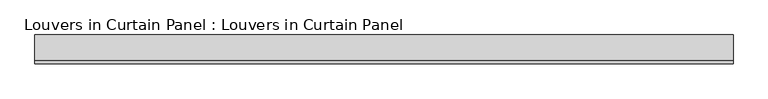
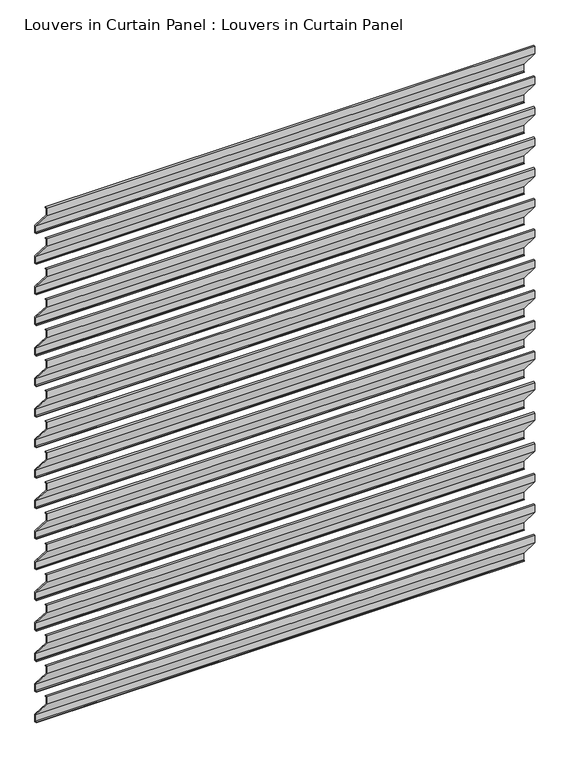
"""IFC4 building model written with IfcOpenShell, lengths in millimetres: plate geometry, Louvers in Curtain Panel : Louvers in Curtain Panel."""

import ifcopenshell
import ifcopenshell.guid

model = None  # the IFC model being written
_history = None  # IfcOwnerHistory: only IFC2X3 demands one
_inside = {}  # id of a spatial element -> (the spatial element, [elements in it])
_under = {}  # id of a project, library or spatial element -> (it, [spatial elements below it])
_declared = {}  # id of a project -> (the project, [libraries it declares])
_typed = {}  # id of a type object -> (the type object, [elements of that type])
_made_of = {}  # id of a material, layer set ... -> (it, [elements and type objects made of it])


def new_model(schema):
    """Start an empty IFC model of exactly this schema.

    Asked for "IFC4X3", IfcOpenShell would pick the latest addendum, in which some entities
    have other attributes; the version numbers below select the first issue.
    IFC2X3 requires an IfcOwnerHistory on every rooted entity: one is made here for all.
    """
    global model, _history
    if schema == "IFC4X3":
        model = ifcopenshell.file(schema_version=(4, 3, 0, 0))
    else:
        model = ifcopenshell.file(schema=schema)
    _inside.clear()
    _under.clear()
    _declared.clear()
    _typed.clear()
    _made_of.clear()
    _history = None
    if model.schema == "IFC2X3":
        org = make("IfcOrganization", Name="unknown")
        user = make(
            "IfcPersonAndOrganization",
            ThePerson=make("IfcPerson", FamilyName="unknown"),
            TheOrganization=org,
        )
        app = make(
            "IfcApplication",
            ApplicationDeveloper=org,
            Version="unknown",
            ApplicationFullName="unknown",
            ApplicationIdentifier="unknown",
        )
        _history = make(
            "IfcOwnerHistory",
            OwningUser=user,
            OwningApplication=app,
            ChangeAction="ADDED",
            CreationDate=0,
        )
    return model


def make(cls, **values):
    """One entity of the class cls with the attributes given. An attribute that is None is left unset."""
    return model.create_entity(
        cls, **{name: value for name, value in values.items() if value is not None}
    )


def rooted(cls, **values):
    """An entity with a GlobalId (a new one), such as an element, a storey or a relation."""
    return make(cls, GlobalId=ifcopenshell.guid.new(), OwnerHistory=_history, **values)


def si_unit(unit_type, name, prefix=None):
    """IfcSIUnit, for example si_unit("LENGTHUNIT", "METRE", prefix="MILLI")."""
    return make("IfcSIUnit", UnitType=unit_type, Prefix=prefix, Name=name)


def assignment(units):
    """IfcUnitAssignment: the units of a project."""
    return None if units is None else make("IfcUnitAssignment", Units=units)


def point(xyz):
    """IfcCartesianPoint."""
    return None if xyz is None else make("IfcCartesianPoint", Coordinates=xyz)


def direction(xyz):
    """IfcDirection."""
    return None if xyz is None else make("IfcDirection", DirectionRatios=xyz)


def frame(location, z_axis=None, x_axis=None):
    """IfcAxis2Placement3D, a coordinate frame: its origin and axes. An axis left out is left unset."""
    return make(
        "IfcAxis2Placement3D",
        Location=point(location),
        Axis=direction(z_axis),
        RefDirection=direction(x_axis),
    )


def origin():
    """The frame at (0, 0, 0) with its axes left unset."""
    return frame((0.0, 0.0, 0.0))


def place(relative_to, where):
    """IfcLocalPlacement: puts the frame where relative to a parent placement (None: the world)."""
    return make(
        "IfcLocalPlacement", PlacementRelTo=relative_to, RelativePlacement=where
    )


def context(
    kind, dimensions, precision=None, world=None, true_north=None, identifier=None
):
    """IfcGeometricRepresentationContext, for example the 3D "Model" context."""
    return make(
        "IfcGeometricRepresentationContext",
        ContextIdentifier=identifier,
        ContextType=kind,
        CoordinateSpaceDimension=dimensions,
        Precision=precision,
        WorldCoordinateSystem=world,
        TrueNorth=true_north,
    )


def project(units=None, contexts=None):
    """IfcProject with its units and contexts."""
    return rooted(
        "IfcProject",
        Name="project",
        RepresentationContexts=contexts,
        UnitsInContext=assignment(units),
    )


def spatial(cls, under=None, at=None, **own):
    """A site, building, storey or space (cls), placed at a placement, below another one or the project."""
    s = rooted(cls, ObjectPlacement=at, **own)
    if under is not None:
        _under.setdefault(under.id(), (under, []))[1].append(s)
    return s


def polyline(points):
    """IfcPolyline through the points."""
    return make("IfcPolyline", Points=[point(p) for p in points])


def outline(outer, holes=None, kind="AREA"):
    """IfcArbitraryClosedProfileDef: a profile drawn as a closed curve; with holes, ...WithVoids."""
    if holes is None:
        return make("IfcArbitraryClosedProfileDef", ProfileType=kind, OuterCurve=outer)
    return make(
        "IfcArbitraryProfileDefWithVoids",
        ProfileType=kind,
        OuterCurve=outer,
        InnerCurves=holes,
    )


def extrude(swept, where, along, depth):
    """IfcExtrudedAreaSolid: the profile swept, set in the frame where, extruded along a direction by depth."""
    return make(
        "IfcExtrudedAreaSolid",
        SweptArea=swept,
        Position=where,
        ExtrudedDirection=direction(along),
        Depth=depth,
    )


def shape(context_of_items, identifier, shape_type, items):
    """IfcShapeRepresentation: the items that make up one representation, for example the "Body"."""
    return make(
        "IfcShapeRepresentation",
        ContextOfItems=context_of_items,
        RepresentationIdentifier=identifier,
        RepresentationType=shape_type,
        Items=items,
    )


def source(mapping_origin, context_of_items, identifier, shape_type, items):
    """IfcRepresentationMap: a shape defined once, which mapped items show again and again."""
    return make(
        "IfcRepresentationMap",
        MappingOrigin=mapping_origin,
        MappedRepresentation=shape(context_of_items, identifier, shape_type, items),
    )


def transform(
    local_origin,
    x_axis=None,
    y_axis=None,
    z_axis=None,
    scale=None,
    scale2=None,
    scale3=None,
    uniform=True,
):
    """IfcCartesianTransformationOperator3D, or its non-uniform kind. x_axis, y_axis, z_axis: its Axis1, 2, 3."""
    if uniform:
        return make(
            "IfcCartesianTransformationOperator3D",
            Axis1=direction(x_axis),
            Axis2=direction(y_axis),
            LocalOrigin=point(local_origin),
            Scale=scale,
            Axis3=direction(z_axis),
        )
    return make(
        "IfcCartesianTransformationOperator3DnonUniform",
        Axis1=direction(x_axis),
        Axis2=direction(y_axis),
        LocalOrigin=point(local_origin),
        Scale=scale,
        Axis3=direction(z_axis),
        Scale2=scale2,
        Scale3=scale3,
    )


def mapped(mapping_source, mapping_target):
    """IfcMappedItem: shows the shape of a source again, moved by a transform."""
    return make(
        "IfcMappedItem", MappingSource=mapping_source, MappingTarget=mapping_target
    )


def made_of(thing, what):
    """Note that an element or type object is made of a material, layer set ...; save() writes the relation."""
    if what is not None:
        _made_of.setdefault(what.id(), (what, []))[1].append(thing)
    return thing


def element(
    cls,
    number,
    at=None,
    inside=None,
    cuts=None,
    type_object=None,
    material=None,
    context=None,
    identifier="Body",
    shape_type=None,
    held_by="IfcProductDefinitionShape",
    body=None,
    shapes=None,
    **own,
):
    """One element of the class cls, such as IfcWall. Its Tag is "e" and its number.

    at: its placement. inside: the storey or other place that contains it. cuts: it is an
    opening in that element (IfcRelVoidsElement). A single representation is given by context,
    identifier, shape_type and body (its items); several are given by shapes. held_by: the class
    of the entity that holds the representations. save() writes the other relations.
    """
    e = rooted(cls, Tag="e%d" % number, ObjectPlacement=at, **own)
    if body is not None:
        shapes = [shape(context, identifier, shape_type, body)]
    if shapes is not None:
        e.Representation = make(held_by, Representations=shapes)
    if inside is not None:
        _inside.setdefault(inside.id(), (inside, []))[1].append(e)
    if cuts is not None:
        rooted(
            "IfcRelVoidsElement", RelatingBuildingElement=cuts, RelatedOpeningElement=e
        )
    if type_object is not None:
        _typed.setdefault(type_object.id(), (type_object, []))[1].append(e)
    return made_of(e, material)


def aggregate(whole, parts):
    """IfcRelAggregates: a whole, such as a stair, and the parts it consists of."""
    return rooted("IfcRelAggregates", RelatingObject=whole, RelatedObjects=parts)


def save(model, path):
    """Write the relations noted so far, then the file.

    IfcRelAggregates (storeys below a building ...), IfcRelContainedInSpatialStructure (elements
    in a storey), IfcRelDefinesByType, IfcRelAssociatesMaterial and IfcRelDeclares: one each for
    every whole, place, type object, material and project.
    """
    for whole, parts in _under.values():
        aggregate(whole, parts)
    for where, things in _inside.values():
        rooted(
            "IfcRelContainedInSpatialStructure",
            RelatedElements=things,
            RelatingStructure=where,
        )
    for kind, things in _typed.values():
        rooted("IfcRelDefinesByType", RelatedObjects=things, RelatingType=kind)
    for what, things in _made_of.values():
        rooted("IfcRelAssociatesMaterial", RelatedObjects=things, RelatingMaterial=what)
    for by, libraries in _declared.values():
        rooted("IfcRelDeclares", RelatingContext=by, RelatedDefinitions=libraries)
    model.write(path)


def louvers_in_curtain_panel_louvers_in_curtain_panel_3bc95f83(model_context):
    return source(origin(), model_context, "Body", "SweptSolid", [
        extrude(outline(polyline([(-22.621875, 1579.4294063), (-17.859375, 1579.4294063), (-17.859375, 1577.8419063), (-21.034375, 1577.8419063), (-21.034375, 1561.9669063), (24.209375, 1508.7856563), (24.209375, 1490.5294063), (19.446875, 1490.5294063), (19.446875, 1492.1169063), (22.621875, 1492.1169063), (22.621875, 1507.9919063), (-22.621875, 1561.1731563), (-22.621875, 1579.4294063)])), frame((-568.4794497, 0.0, 0.0), z_axis=(1.0, 0.0, 0.0), x_axis=(0.0, 1.0, 0.0)), (0.0, 0.0, 1.0), 1136.9588993),
        extrude(outline(polyline([(-22.621875, 1504.2172376), (-17.859375, 1504.2172376), (-17.859375, 1502.6297376), (-21.034375, 1502.6297376), (-21.034375, 1486.7547376), (24.209375, 1433.5734876), (24.209375, 1415.3172376), (19.446875, 1415.3172376), (19.446875, 1416.9047376), (22.621875, 1416.9047376), (22.621875, 1432.7797376), (-22.621875, 1485.9609876), (-22.621875, 1504.2172376)])), frame((-568.4794497, 0.0, 0.0), z_axis=(1.0, 0.0, 0.0), x_axis=(0.0, 1.0, 0.0)), (0.0, 0.0, 1.0), 1136.9588993),
        extrude(outline(polyline([(-22.621875, 1429.0050688), (-17.859375, 1429.0050688), (-17.859375, 1427.4175688), (-21.034375, 1427.4175688), (-21.034375, 1411.5425688), (24.209375, 1358.3613188), (24.209375, 1340.1050688), (19.446875, 1340.1050688), (19.446875, 1341.6925688), (22.621875, 1341.6925688), (22.621875, 1357.5675688), (-22.621875, 1410.7488188), (-22.621875, 1429.0050688)])), frame((-568.4794497, 0.0, 0.0), z_axis=(1.0, 0.0, 0.0), x_axis=(0.0, 1.0, 0.0)), (0.0, 0.0, 1.0), 1136.9588993),
        extrude(outline(polyline([(-22.621875, 1353.7929001), (-17.859375, 1353.7929001), (-17.859375, 1352.2054001), (-21.034375, 1352.2054001), (-21.034375, 1336.3304001), (24.209375, 1283.1491501), (24.209375, 1264.8929001), (19.446875, 1264.8929001), (19.446875, 1266.4804001), (22.621875, 1266.4804001), (22.621875, 1282.3554001), (-22.621875, 1335.5366501), (-22.621875, 1353.7929001)])), frame((-568.4794497, 0.0, 0.0), z_axis=(1.0, 0.0, 0.0), x_axis=(0.0, 1.0, 0.0)), (0.0, 0.0, 1.0), 1136.9588993),
        extrude(outline(polyline([(-22.621875, 1278.5807313), (-17.859375, 1278.5807313), (-17.859375, 1276.9932313), (-21.034375, 1276.9932313), (-21.034375, 1261.1182313), (24.209375, 1207.9369813), (24.209375, 1189.6807313), (19.446875, 1189.6807313), (19.446875, 1191.2682313), (22.621875, 1191.2682313), (22.621875, 1207.1432313), (-22.621875, 1260.3244813), (-22.621875, 1278.5807313)])), frame((-568.4794497, 0.0, 0.0), z_axis=(1.0, 0.0, 0.0), x_axis=(0.0, 1.0, 0.0)), (0.0, 0.0, 1.0), 1136.9588993),
        extrude(outline(polyline([(-22.621875, 1203.3685626), (-17.859375, 1203.3685626), (-17.859375, 1201.7810626), (-21.034375, 1201.7810626), (-21.034375, 1185.9060626), (24.209375, 1132.7248126), (24.209375, 1114.4685626), (19.446875, 1114.4685626), (19.446875, 1116.0560626), (22.621875, 1116.0560626), (22.621875, 1131.9310626), (-22.621875, 1185.1123126), (-22.621875, 1203.3685626)])), frame((-568.4794497, 0.0, 0.0), z_axis=(1.0, 0.0, 0.0), x_axis=(0.0, 1.0, 0.0)), (0.0, 0.0, 1.0), 1136.9588993),
        extrude(outline(polyline([(-22.621875, 1128.1563938), (-17.859375, 1128.1563938), (-17.859375, 1126.5688938), (-21.034375, 1126.5688938), (-21.034375, 1110.6938938), (24.209375, 1057.5126438), (24.209375, 1039.2563938), (19.446875, 1039.2563938), (19.446875, 1040.8438938), (22.621875, 1040.8438938), (22.621875, 1056.7188938), (-22.621875, 1109.9001438), (-22.621875, 1128.1563938)])), frame((-568.4794497, 0.0, 0.0), z_axis=(1.0, 0.0, 0.0), x_axis=(0.0, 1.0, 0.0)), (0.0, 0.0, 1.0), 1136.9588993),
        extrude(outline(polyline([(-22.621875, 1052.944225), (-17.859375, 1052.944225), (-17.859375, 1051.356725), (-21.034375, 1051.356725), (-21.034375, 1035.481725), (24.209375, 982.300475), (24.209375, 964.044225), (19.446875, 964.044225), (19.446875, 965.631725), (22.621875, 965.631725), (22.621875, 981.506725), (-22.621875, 1034.687975), (-22.621875, 1052.944225)])), frame((-568.4794497, 0.0, 0.0), z_axis=(1.0, 0.0, 0.0), x_axis=(0.0, 1.0, 0.0)), (0.0, 0.0, 1.0), 1136.9588993),
        extrude(outline(polyline([(-22.621875, 977.7320563), (-17.859375, 977.7320563), (-17.859375, 976.1445563), (-21.034375, 976.1445563), (-21.034375, 960.2695563), (24.209375, 907.0883063), (24.209375, 888.8320563), (19.446875, 888.8320563), (19.446875, 890.4195563), (22.621875, 890.4195563), (22.621875, 906.2945563), (-22.621875, 959.4758063), (-22.621875, 977.7320563)])), frame((-568.4794497, 0.0, 0.0), z_axis=(1.0, 0.0, 0.0), x_axis=(0.0, 1.0, 0.0)), (0.0, 0.0, 1.0), 1136.9588993),
        extrude(outline(polyline([(-22.621875, 902.5198875), (-17.859375, 902.5198875), (-17.859375, 900.9323875), (-21.034375, 900.9323875), (-21.034375, 885.0573875), (24.209375, 831.8761375), (24.209375, 813.6198875), (19.446875, 813.6198875), (19.446875, 815.2073875), (22.621875, 815.2073875), (22.621875, 831.0823875), (-22.621875, 884.2636375), (-22.621875, 902.5198875)])), frame((-568.4794497, 0.0, 0.0), z_axis=(1.0, 0.0, 0.0), x_axis=(0.0, 1.0, 0.0)), (0.0, 0.0, 1.0), 1136.9588993),
        extrude(outline(polyline([(-22.621875, 827.3077188), (-17.859375, 827.3077188), (-17.859375, 825.7202188), (-21.034375, 825.7202188), (-21.034375, 809.8452188), (24.209375, 756.6639688), (24.209375, 738.4077188), (19.446875, 738.4077188), (19.446875, 739.9952188), (22.621875, 739.9952188), (22.621875, 755.8702188), (-22.621875, 809.0514688), (-22.621875, 827.3077188)])), frame((-568.4794497, 0.0, 0.0), z_axis=(1.0, 0.0, 0.0), x_axis=(0.0, 1.0, 0.0)), (0.0, 0.0, 1.0), 1136.9588993),
        extrude(outline(polyline([(-22.621875, 752.09555), (-17.859375, 752.09555), (-17.859375, 750.50805), (-21.034375, 750.50805), (-21.034375, 734.63305), (24.209375, 681.4518), (24.209375, 663.19555), (19.446875, 663.19555), (19.446875, 664.78305), (22.621875, 664.78305), (22.621875, 680.65805), (-22.621875, 733.8393), (-22.621875, 752.09555)])), frame((-568.4794497, 0.0, 0.0), z_axis=(1.0, 0.0, 0.0), x_axis=(0.0, 1.0, 0.0)), (0.0, 0.0, 1.0), 1136.9588993),
        extrude(outline(polyline([(-22.621875, 676.8833813), (-17.859375, 676.8833813), (-17.859375, 675.2958813), (-21.034375, 675.2958813), (-21.034375, 659.4208813), (24.209375, 606.2396313), (24.209375, 587.9833813), (19.446875, 587.9833813), (19.446875, 589.5708813), (22.621875, 589.5708813), (22.621875, 605.4458813), (-22.621875, 658.6271313), (-22.621875, 676.8833813)])), frame((-568.4794497, 0.0, 0.0), z_axis=(1.0, 0.0, 0.0), x_axis=(0.0, 1.0, 0.0)), (0.0, 0.0, 1.0), 1136.9588993),
        extrude(outline(polyline([(-22.621875, 601.6712125), (-17.859375, 601.6712125), (-17.859375, 600.0837125), (-21.034375, 600.0837125), (-21.034375, 584.2087125), (24.209375, 531.0274625), (24.209375, 512.7712125), (19.446875, 512.7712125), (19.446875, 514.3587125), (22.621875, 514.3587125), (22.621875, 530.2337125), (-22.621875, 583.4149625), (-22.621875, 601.6712125)])), frame((-568.4794497, 0.0, 0.0), z_axis=(1.0, 0.0, 0.0), x_axis=(0.0, 1.0, 0.0)), (0.0, 0.0, 1.0), 1136.9588993),
        extrude(outline(polyline([(-22.621875, 526.4590438), (-17.859375, 526.4590438), (-17.859375, 524.8715438), (-21.034375, 524.8715438), (-21.034375, 508.9965438), (24.209375, 455.8152938), (24.209375, 437.5590438), (19.446875, 437.5590438), (19.446875, 439.1465438), (22.621875, 439.1465438), (22.621875, 455.0215438), (-22.621875, 508.2027938), (-22.621875, 526.4590438)])), frame((-568.4794497, 0.0, 0.0), z_axis=(1.0, 0.0, 0.0), x_axis=(0.0, 1.0, 0.0)), (0.0, 0.0, 1.0), 1136.9588993),
        extrude(outline(polyline([(-22.621875, 1654.6415751), (-17.859375, 1654.6415751), (-17.859375, 1653.0540751), (-21.034375, 1653.0540751), (-21.034375, 1637.1790751), (24.209375, 1583.9978251), (24.209375, 1565.7415751), (19.446875, 1565.7415751), (19.446875, 1567.3290751), (22.621875, 1567.3290751), (22.621875, 1583.2040751), (-22.621875, 1636.3853251), (-22.621875, 1654.6415751)])), frame((-568.4794497, 0.0, 0.0), z_axis=(1.0, 0.0, 0.0), x_axis=(0.0, 1.0, 0.0)), (0.0, 0.0, 1.0), 1136.9588993),
        extrude(outline(polyline([(-22.621875, 451.246875), (-17.859375, 451.246875), (-17.859375, 449.659375), (-21.034375, 449.659375), (-21.034375, 433.784375), (24.209375, 380.603125), (24.209375, 362.346875), (19.446875, 362.346875), (19.446875, 363.934375), (22.621875, 363.934375), (22.621875, 379.809375), (-22.621875, 432.990625), (-22.621875, 451.246875)])), frame((-568.4794497, 0.0, 0.0), z_axis=(1.0, 0.0, 0.0), x_axis=(0.0, 1.0, 0.0)), (0.0, 0.0, 1.0), 1136.9588993),
    ])


if __name__ == "__main__":
    model = new_model("IFC4")
    model_context = context("Model", 3, world=origin())
    ifc_project = project(units=[si_unit("LENGTHUNIT", "METRE", prefix="MILLI")], contexts=[model_context])
    site = spatial("IfcSite", under=ifc_project)
    building = spatial("IfcBuilding", under=site)
    placement = place(None, origin())
    louvers_in_curtain_panel_louvers_in_curtain_panel_shape = louvers_in_curtain_panel_louvers_in_curtain_panel_3bc95f83(model_context)
    element("IfcPlate", 1, ObjectType="Louvers in Curtain Panel : Louvers in Curtain Panel", at=placement, inside=building, context=model_context, shape_type="MappedRepresentation", body=[
        mapped(louvers_in_curtain_panel_louvers_in_curtain_panel_shape, transform((0.0, 0.0, 0.0), x_axis=(1.0, 0.0, 0.0), y_axis=(0.0, 1.0, 0.0), z_axis=(0.0, 0.0, 1.0))),
    ])
    save(model, "model.ifc")
